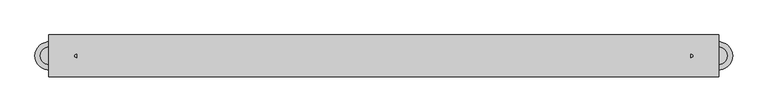
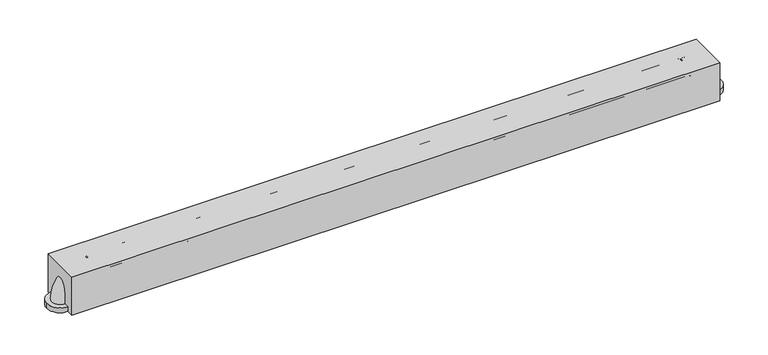
"""IFC4 building model written with IfcOpenShell, lengths in millimetres: proxy geometry."""

from ifc_helpers import new_model, si_unit, point, frame, frame_2d, origin, origin_with_axes, place, context, project, spatial, polyline, circle_curve, ellipse_curve, trimmed, segment, composite_curve, outline, extrude, source, transform, mapped, element, save
from ifc_brep_helpers import plane_surface, revolved_surface, advanced_brep


def specialty_equipment_09f3d91a(model_context):
    return source(origin(), model_context, "Body", "SolidModel", [
        advanced_brep(
        [(558.9609249, 15.875, 60.325), (558.9609249, -15.875, 60.325), (609.7609249, 15.875, 9.525), (609.7609249, -15.875, 9.525)],
        [
            (0, 1, circle_curve(frame((558.9609249, 0.0, 60.325), z_axis=(-1.0, 0.0, 0.0), x_axis=(0.0, -1.0, 0.0)), 15.875)),
            (1, 0, circle_curve(frame((558.9609249, 0.0, 60.325), z_axis=(-1.0, 0.0, 0.0), x_axis=(0.0, -1.0, 0.0)), 15.875)),
            (2, 3, circle_curve(frame((609.7609249, 0.0, 9.525), z_axis=(0.0, 0.0, -1.0), x_axis=(0.0, -1.0, 0.0)), 15.875)),
            (3, 2, circle_curve(frame((609.7609249, 0.0, 9.525), z_axis=(0.0, 0.0, -1.0), x_axis=(0.0, -1.0, 0.0)), 15.875)),
            (2, 0, circle_curve(frame((558.9609249, 15.875, 9.525), z_axis=(0.0, -1.0, 0.0), x_axis=(0.0, 0.0, 1.0)), 50.8)),
            (1, 3, circle_curve(frame((558.9609249, -15.875, 9.525), z_axis=(0.0, 1.0, 0.0), x_axis=(0.0, 0.0, 1.0)), 50.8)),
        ],
        [
            plane_surface(frame((558.9609249, 0.0, 60.325), z_axis=(-1.0, 0.0, 0.0), x_axis=(0.0, -1.0, 0.0))),
            plane_surface(frame((609.7609249, 0.0, 9.525), z_axis=(0.0, 0.0, -1.0), x_axis=(0.0, -1.0, 0.0))),
            revolved_surface(trimmed(ellipse_curve(frame((558.9609249, 0.0, 60.325), z_axis=(1.0, 0.0, 0.0), x_axis=(0.0, -1.0, 0.0)), 15.875, 15.875), [point((558.9609249, 15.875, 60.325))], [point((558.9609249, -15.875, 60.325))], True, "CARTESIAN"), (558.9609249, 0.0, 9.525), (0.0, -1.0, 0.0)),
            revolved_surface(trimmed(ellipse_curve(frame((558.9609249, 0.0, 60.325), z_axis=(1.0, 0.0, 0.0), x_axis=(0.0, -1.0, 0.0)), 15.875, 15.875), [point((558.9609249, -15.875, 60.325))], [point((558.9609249, 15.875, 60.325))], True, "CARTESIAN"), (558.9609249, 0.0, 9.525), (0.0, -1.0, 0.0)),
        ],
        [
            (0, [[1, 2]]),
            (1, [[3, 4]]),
            (2, [[-3, 5, -2, 6]]),
            (3, [[-4, -6, -1, -5]]),
        ],
    ),
        extrude(outline(composite_curve([segment(trimmed(circle_curve(frame_2d((609.7609249, 0.0)), 25.4), [point((635.1609249, 0.0))], [point((584.3609249, 0.0))], False, "CARTESIAN"), True, "CONTINUOUS"), segment(trimmed(circle_curve(frame_2d((609.7609249, 0.0)), 25.4), [point((584.3609249, 0.0))], [point((635.1609249, 0.0))], False, "CARTESIAN"), True, "CONTINUOUS")], self_intersect=False)), origin_with_axes(), (0.0, 0.0, 1.0), 9.525),
        advanced_brep(
        [(-558.9609249, 15.875, 60.325), (-558.9609249, -15.875, 60.325), (-609.7609249, 15.875, 9.525), (-609.7609249, -15.875, 9.525)],
        [
            (0, 1, circle_curve(frame((-558.9609249, 0.0, 60.325), z_axis=(1.0, 0.0, 0.0), x_axis=(0.0, -1.0, 0.0)), 15.875)),
            (1, 0, circle_curve(frame((-558.9609249, 0.0, 60.325), z_axis=(1.0, 0.0, 0.0), x_axis=(0.0, -1.0, 0.0)), 15.875)),
            (2, 3, circle_curve(frame((-609.7609249, 0.0, 9.525), z_axis=(0.0, 0.0, -1.0), x_axis=(0.0, -1.0, 0.0)), 15.875)),
            (3, 2, circle_curve(frame((-609.7609249, 0.0, 9.525), z_axis=(0.0, 0.0, -1.0), x_axis=(0.0, -1.0, 0.0)), 15.875)),
            (3, 1, circle_curve(frame((-558.9609249, -15.875, 9.525), z_axis=(0.0, 1.0, 0.0), x_axis=(0.0, 0.0, 1.0)), 50.8)),
            (0, 2, circle_curve(frame((-558.9609249, 15.875, 9.525), z_axis=(0.0, -1.0, 0.0), x_axis=(0.0, 0.0, 1.0)), 50.8)),
        ],
        [
            plane_surface(frame((-558.9609249, 0.0, 60.325), z_axis=(1.0, 0.0, 0.0), x_axis=(0.0, -1.0, 0.0))),
            plane_surface(frame((-609.7609249, 0.0, 9.525), z_axis=(0.0, 0.0, -1.0), x_axis=(0.0, -1.0, 0.0))),
            revolved_surface(trimmed(ellipse_curve(frame((-558.9609249, 0.0, 60.325), z_axis=(1.0, 0.0, 0.0), x_axis=(0.0, -1.0, 0.0)), 15.875, 15.875), [point((-558.9609249, 15.875, 60.325))], [point((-558.9609249, -15.875, 60.325))], True, "CARTESIAN"), (-558.9609249, 0.0, 9.525), (0.0, -1.0, 0.0)),
            revolved_surface(trimmed(ellipse_curve(frame((-558.9609249, 0.0, 60.325), z_axis=(1.0, 0.0, 0.0), x_axis=(0.0, -1.0, 0.0)), 15.875, 15.875), [point((-558.9609249, -15.875, 60.325))], [point((-558.9609249, 15.875, 60.325))], True, "CARTESIAN"), (-558.9609249, 0.0, 9.525), (0.0, -1.0, 0.0)),
        ],
        [
            (0, [[1, 2]]),
            (1, [[3, 4]]),
            (2, [[5, -1, 6, -4]]),
            (3, [[-6, -2, -5, -3]]),
        ],
    ),
        extrude(outline(composite_curve([segment(trimmed(circle_curve(frame_2d((-609.7609249, 0.0)), 25.4), [point((-635.1609249, 0.0))], [point((-584.3609249, 0.0))], False, "CARTESIAN"), True, "CONTINUOUS"), segment(trimmed(circle_curve(frame_2d((-609.7609249, 0.0)), 25.4), [point((-584.3609249, 0.0))], [point((-635.1609249, 0.0))], False, "CARTESIAN"), True, "CONTINUOUS")], self_intersect=False)), origin_with_axes(), (0.0, 0.0, 1.0), 9.525),
        extrude(outline(polyline([(609.7609249, -38.1), (-609.7609249, -38.1), (-609.7609249, 38.1), (609.7609249, 38.1), (609.7609249, -38.1)])), origin_with_axes(), (0.0, 0.0, 1.0), 76.2),
        extrude(outline(composite_curve([segment(trimmed(circle_curve(frame_2d((0.0, 60.325)), 15.875), [point((-15.875, 60.325))], [point((15.875, 60.325))], False, "CARTESIAN"), True, "CONTINUOUS"), segment(trimmed(circle_curve(frame_2d((0.0, 60.325)), 15.875), [point((15.875, 60.325))], [point((-15.875, 60.325))], False, "CARTESIAN"), True, "CONTINUOUS")], self_intersect=False)), frame((-558.9609249, 0.0, 0.0), z_axis=(1.0, 0.0, 0.0), x_axis=(0.0, 1.0, 0.0)), (0.0, 0.0, 1.0), 1117.9218499),
    ])


if __name__ == "__main__":
    model = new_model("IFC4")
    model_context = context("Model", 3, world=origin())
    ifc_project = project(units=[si_unit("LENGTHUNIT", "METRE", prefix="MILLI")], contexts=[model_context])
    site = spatial("IfcSite", under=ifc_project)
    building = spatial("IfcBuilding", under=site)
    placement = place(None, origin())
    specialty_equipment_shape = specialty_equipment_09f3d91a(model_context)
    element("IfcBuildingElementProxy", 1, Name="Specialty Equipment", at=placement, inside=building, context=model_context, shape_type="MappedRepresentation", body=[
        mapped(specialty_equipment_shape, transform((0.0, 0.0, 0.0), x_axis=(1.0, 0.0, 0.0), y_axis=(0.0, 1.0, 0.0), z_axis=(0.0, 0.0, 1.0))),
    ])
    save(model, "model.ifc")
